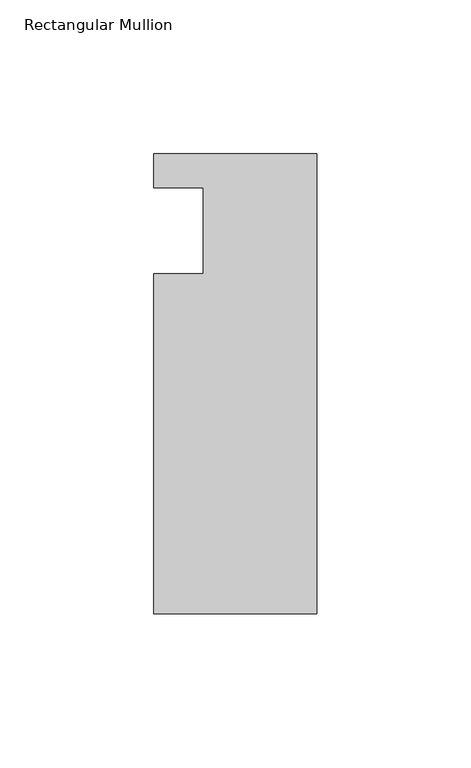
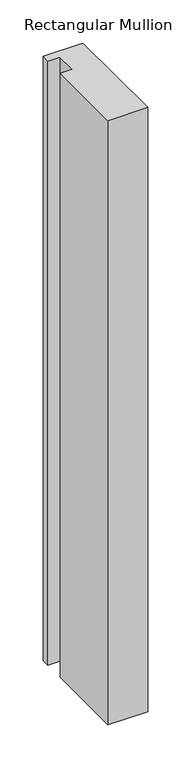
"""IFC4 building model written with IfcOpenShell, lengths in millimetres: member geometry, Rectangular Mullion."""

from ifc_helpers import new_model, si_unit, frame, origin, place, context, project, spatial, polyline, outline, extrude, source, transform, mapped, element, save


def rectangular_mullion_52000e53(model_context):
    return source(origin(), model_context, "Body", "SweptSolid", [
        extrude(outline(polyline([(0.0, 25.0), (0.0, -124.5), (-53.0, -124.5), (-53.0, -14.0), (-37.0, -14.0), (-37.0, 14.0), (-53.0, 14.0), (-53.0, 25.0), (0.0, 25.0)])), frame((0.0, 0.0, -853.1462731), z_axis=(0.0, 0.0, 1.0), x_axis=(1.0, 0.0, 0.0)), (0.0, 0.0, 1.0), 853.1462731),
    ])


if __name__ == "__main__":
    model = new_model("IFC4")
    model_context = context("Model", 3, world=origin())
    ifc_project = project(units=[si_unit("LENGTHUNIT", "METRE", prefix="MILLI")], contexts=[model_context])
    site = spatial("IfcSite", under=ifc_project)
    building = spatial("IfcBuilding", under=site)
    placement = place(None, origin())
    rectangular_mullion_shape = rectangular_mullion_52000e53(model_context)
    element("IfcMember", 1, ObjectType="Rectangular Mullion", at=placement, inside=building, context=model_context, shape_type="MappedRepresentation", body=[
        mapped(rectangular_mullion_shape, transform((0.0, 0.0, 0.0), x_axis=(1.0, 0.0, 0.0), y_axis=(0.0, 1.0, 0.0), z_axis=(0.0, 0.0, 1.0))),
    ])
    save(model, "model.ifc")
